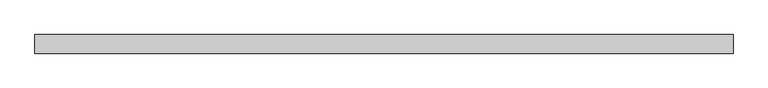
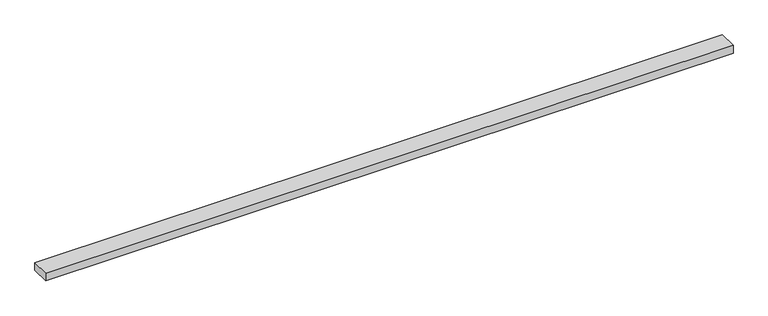
"""IFC4 building model written with IfcOpenShell, lengths in millimetres: beam geometry."""

from ifc_helpers import new_model, si_unit, frame, origin, place, context, project, spatial, polyline, outline, extrude, source, transform, mapped, element, save


def beam_da5effaf(model_context):
    return source(origin(), model_context, "Body", "SweptSolid", [
        extrude(outline(polyline([(962.39033, 25.0), (962.39033, -25.0), (-907.5328367, -25.0), (-907.5328367, 25.0), (962.39033, 25.0)])), frame((0.0, 0.0, -11.0), z_axis=(0.0, 0.0, 1.0), x_axis=(1.0, 0.0, 0.0)), (0.0, 0.0, 1.0), 22.0),
    ])


if __name__ == "__main__":
    model = new_model("IFC4")
    model_context = context("Model", 3, world=origin())
    ifc_project = project(units=[si_unit("LENGTHUNIT", "METRE", prefix="MILLI")], contexts=[model_context])
    site = spatial("IfcSite", under=ifc_project)
    building = spatial("IfcBuilding", under=site)
    placement = place(None, origin())
    beam_shape = beam_da5effaf(model_context)
    element("IfcBeam", 1, at=placement, inside=building, context=model_context, shape_type="MappedRepresentation", body=[
        mapped(beam_shape, transform((0.0, 0.0, 0.0), x_axis=(1.0, 0.0, 0.0), y_axis=(0.0, 1.0, 0.0), z_axis=(0.0, 0.0, 1.0))),
    ])
    save(model, "model.ifc")
